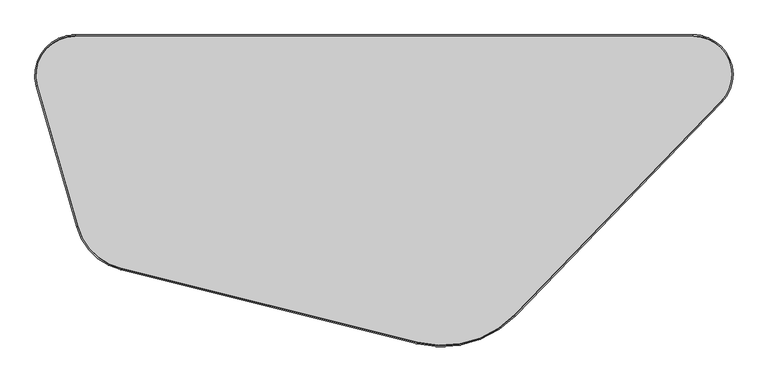
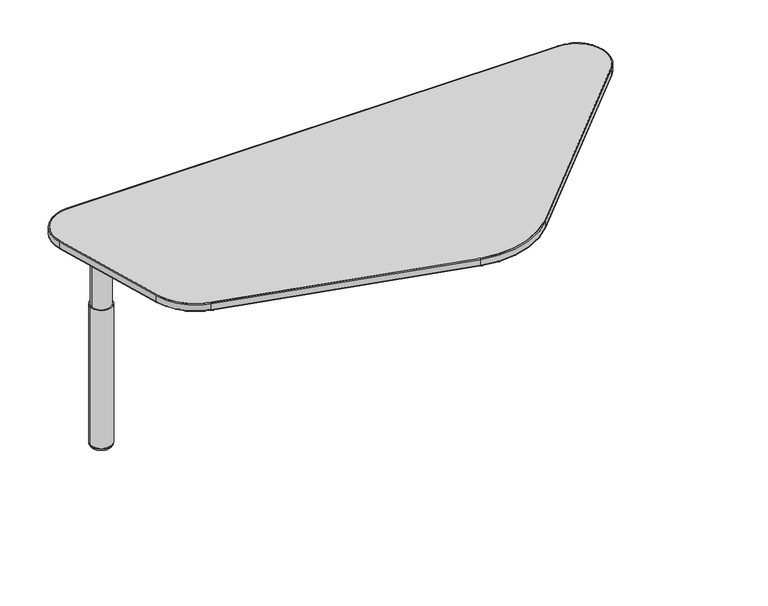
"""IFC4 building model written with IfcOpenShell, lengths in millimetres: furniture geometry."""

from ifc_helpers import new_model, si_unit, point, frame, frame_2d, origin, place, context, project, spatial, polyline, circle_curve, ellipse_curve, trimmed, segment, composite_curve, outline, extrude, source, transform, mapped, element, save
from ifc_brep_helpers import plane_surface, cylinder_surface, revolved_surface, advanced_brep


def furniture_c9b4de75(model_context):
    return source(origin(), model_context, "Body", "SolidModel", [
        advanced_brep(
        [(151.892485, -160.0920056, 672.2060139), (123.7369482, -160.0920056, 672.2060139), (95.5814114, -160.0920056, 672.2060139), (151.892485, -160.0920056, 647.7686974), (95.5814114, -160.0920056, 647.7686974), (154.9928771, -160.0920056, 647.7686974), (92.4810193, -160.0920056, 647.7686974), (154.9928771, -160.0920056, 485.9002831), (92.4810193, -160.0920056, 485.9002831), (159.0300459, -160.0920056, 485.9002831), (88.4438505, -160.0920056, 485.9002831), (159.0300459, -160.0920056, 10.2163535), (88.4438505, -160.0920056, 10.2163535), (157.7621151, -160.0920056, 9.4693355), (89.7117813, -160.0920056, 9.4693355), (158.607376, -160.0920056, 8.8323857), (88.8665204, -160.0920056, 8.8323857), (150.4469167, -160.0920056, 0.0), (97.0269797, -160.0920056, 0.0), (123.7369482, -160.0920056, 0.0)],
        [
            (0, 1),
            (1, 2),
            (2, 0, circle_curve(frame((123.7369482, -160.0920056, 672.2060139), z_axis=(0.0, 0.0, 1.0), x_axis=(-1.0, 0.0, 0.0)), 28.1555368)),
            (0, 2, circle_curve(frame((123.7369482, -160.0920056, 672.2060139), z_axis=(0.0, 0.0, 1.0), x_axis=(-1.0, 0.0, 0.0)), 28.1555368)),
            (3, 0),
            (2, 4),
            (4, 3, circle_curve(frame((123.7369482, -160.0920056, 647.7686974), z_axis=(0.0, 0.0, 1.0), x_axis=(-1.0, 0.0, 0.0)), 28.1555368)),
            (3, 4, circle_curve(frame((123.7369482, -160.0920056, 647.7686974), z_axis=(0.0, 0.0, 1.0), x_axis=(-1.0, 0.0, 0.0)), 28.1555368)),
            (5, 3),
            (4, 6),
            (6, 5, circle_curve(frame((123.7369482, -160.0920056, 647.7686974), z_axis=(0.0, 0.0, 1.0), x_axis=(-1.0, 0.0, 0.0)), 31.2559289)),
            (5, 6, circle_curve(frame((123.7369482, -160.0920056, 647.7686974), z_axis=(0.0, 0.0, 1.0), x_axis=(-1.0, 0.0, 0.0)), 31.2559289)),
            (7, 5),
            (6, 8),
            (8, 7, circle_curve(frame((123.7369482, -160.0920056, 485.9002831), z_axis=(0.0, 0.0, 1.0), x_axis=(-1.0, 0.0, 0.0)), 31.2559289)),
            (7, 8, circle_curve(frame((123.7369482, -160.0920056, 485.9002831), z_axis=(0.0, 0.0, 1.0), x_axis=(-1.0, 0.0, 0.0)), 31.2559289)),
            (9, 7),
            (8, 10),
            (10, 9, circle_curve(frame((123.7369482, -160.0920056, 485.9002831), z_axis=(0.0, 0.0, 1.0), x_axis=(-1.0, 0.0, 0.0)), 35.2930977)),
            (9, 10, circle_curve(frame((123.7369482, -160.0920056, 485.9002831), z_axis=(0.0, 0.0, 1.0), x_axis=(-1.0, 0.0, 0.0)), 35.2930977)),
            (11, 9),
            (10, 12),
            (12, 11, circle_curve(frame((123.7369482, -160.0920056, 10.2163535), z_axis=(0.0, 0.0, 1.0), x_axis=(-1.0, 0.0, 0.0)), 35.2930977)),
            (11, 12, circle_curve(frame((123.7369482, -160.0920056, 10.2163535), z_axis=(0.0, 0.0, 1.0), x_axis=(-1.0, 0.0, 0.0)), 35.2930977)),
            (13, 11, circle_curve(frame((157.5737586, -160.0920056, 11.2385904), z_axis=(0.0, -1.0, 0.0), x_axis=(-1.0, 0.0, 0.0)), 1.7792529)),
            (12, 14, circle_curve(frame((89.9001378, -160.0920056, 11.2385904), z_axis=(0.0, -1.0, 0.0), x_axis=(1.0, 0.0, 0.0)), 1.7792529)),
            (14, 13, circle_curve(frame((123.7369482, -160.0920056, 9.4693355), z_axis=(0.0, 0.0, 1.0), x_axis=(-1.0, 0.0, 0.0)), 34.0251669)),
            (13, 14, circle_curve(frame((123.7369482, -160.0920056, 9.4693355), z_axis=(0.0, 0.0, 1.0), x_axis=(-1.0, 0.0, 0.0)), 34.0251669)),
            (15, 13, circle_curve(frame((157.0664072, -160.0920056, 7.6667755), z_axis=(0.0, -1.0, 0.0), x_axis=(-1.0, 0.0, 0.0)), 1.9321573)),
            (14, 16, circle_curve(frame((90.4074892, -160.0920056, 7.6667755), z_axis=(0.0, -1.0, 0.0), x_axis=(1.0, 0.0, 0.0)), 1.9321573)),
            (16, 15, circle_curve(frame((123.7369482, -160.0920056, 8.8323857), z_axis=(0.0, 0.0, 1.0), x_axis=(-1.0, 0.0, 0.0)), 34.8704278)),
            (15, 16, circle_curve(frame((123.7369482, -160.0920056, 8.8323857), z_axis=(0.0, 0.0, 1.0), x_axis=(-1.0, 0.0, 0.0)), 34.8704278)),
            (17, 15, circle_curve(frame((150.4469167, -160.0920056, 8.1860178), z_axis=(0.0, -1.0, 0.0), x_axis=(-1.0, 0.0, 0.0)), 8.1860178)),
            (16, 18, circle_curve(frame((97.0269797, -160.0920056, 8.1860178), z_axis=(0.0, -1.0, 0.0), x_axis=(1.0, 0.0, 0.0)), 8.1860178)),
            (18, 17, circle_curve(frame((123.7369482, -160.0920056, 0.0), z_axis=(0.0, 0.0, 1.0), x_axis=(-1.0, 0.0, 0.0)), 26.7099685)),
            (17, 18, circle_curve(frame((123.7369482, -160.0920056, 0.0), z_axis=(0.0, 0.0, 1.0), x_axis=(-1.0, 0.0, 0.0)), 26.7099685)),
            (19, 17),
            (18, 19),
        ],
        [
            plane_surface(frame((123.7369482, -160.0920056, 672.2060139), z_axis=(0.0, 0.0, 1.0), x_axis=(-1.0, 0.0, 0.0))),
            cylinder_surface(frame((123.7369482, -160.0920056, -31.75), z_axis=(0.0, 0.0, -1.0), x_axis=(-1.0, 0.0, 0.0)), 28.1555368),
            plane_surface(frame((123.7369482, -160.0920056, 647.7686974), z_axis=(0.0, 0.0, 1.0), x_axis=(-1.0, 0.0, 0.0))),
            cylinder_surface(frame((123.7369482, -160.0920056, -31.75), z_axis=(0.0, 0.0, -1.0), x_axis=(-1.0, 0.0, 0.0)), 31.2559289),
            plane_surface(frame((123.7369482, -160.0920056, 485.9002831), z_axis=(0.0, 0.0, 1.0), x_axis=(-1.0, 0.0, 0.0))),
            cylinder_surface(frame((123.7369482, -160.0920056, -31.75), z_axis=(0.0, 0.0, -1.0), x_axis=(-1.0, 0.0, 0.0)), 35.2930977),
            revolved_surface(trimmed(ellipse_curve(frame((89.9001378, -160.0920056, 11.2385904), z_axis=(0.0, -1.0, 0.0), x_axis=(1.0, 0.0, 0.0)), 1.7792529, 1.7792529), [point((88.4438505, -160.0920056, 10.2163535))], [point((89.7117813, -160.0920056, 9.4693355))], True, "CARTESIAN"), (123.7369482, -160.0920056, -31.75), (0.0, 0.0, -1.0)),
            revolved_surface(trimmed(ellipse_curve(frame((90.4074892, -160.0920056, 7.6667755), z_axis=(0.0, -1.0, 0.0), x_axis=(1.0, 0.0, 0.0)), 1.9321573, 1.9321573), [point((89.7117813, -160.0920056, 9.4693355))], [point((88.8665204, -160.0920056, 8.8323857))], True, "CARTESIAN"), (123.7369482, -160.0920056, -31.75), (0.0, 0.0, -1.0)),
            revolved_surface(trimmed(ellipse_curve(frame((97.0269797, -160.0920056, 8.1860178), z_axis=(0.0, -1.0, 0.0), x_axis=(1.0, 0.0, 0.0)), 8.1860178, 8.1860178), [point((88.8665204, -160.0920056, 8.8323857))], [point((97.0269797, -160.0920056, 0.0))], True, "CARTESIAN"), (123.7369482, -160.0920056, -31.75), (0.0, 0.0, -1.0)),
            plane_surface(frame((123.7369482, -160.0920056, 0.0), z_axis=(0.0, 0.0, -1.0), x_axis=(-1.0, 0.0, 0.0))),
        ],
        [
            (0, [[1, 2, 3]]),
            (0, [[-2, -1, 4]]),
            (1, [[5, -3, 6, 7]]),
            (1, [[-6, -4, -5, 8]]),
            (2, [[9, -7, 10, 11]]),
            (2, [[-10, -8, -9, 12]]),
            (3, [[13, -11, 14, 15]]),
            (3, [[-14, -12, -13, 16]]),
            (4, [[17, -15, 18, 19]]),
            (4, [[-18, -16, -17, 20]]),
            (5, [[21, -19, 22, 23]]),
            (5, [[-22, -20, -21, 24]]),
            (6, [[25, -23, 26, 27]]),
            (6, [[-26, -24, -25, 28]]),
            (7, [[29, -27, 30, 31]]),
            (7, [[-30, -28, -29, 32]]),
            (8, [[33, -31, 34, 35]]),
            (8, [[-34, -32, -33, 36]]),
            (9, [[37, -35, 38]]),
            (9, [[-38, -36, -37]]),
        ],
    ),
        advanced_brep(
        [(1777.2858768, -171.7138583, 698.6714043), (1777.2858768, -171.7138583, 723.9), (1706.0580257, -3.81, 723.9), (1706.0580257, -3.81, 698.6714043), (1780.0254096, -174.361699, 701.2114043), (1778.1990544, -172.5964719, 698.6714043), (1706.0580257, -2.54, 698.6714043), (1706.0580257, 0.0, 701.2114043), (1780.0254096, -174.361699, 721.36), (1706.0580257, 0.0, 721.36), (1778.1990544, -172.5964719, 723.9), (1706.0580257, -2.54, 723.9), (1242.620881, -724.8937589, 698.6714043), (1242.620881, -724.8937589, 723.9), (1245.3604138, -727.5415996, 701.2114043), (1243.5340586, -725.7763725, 698.6714043), (1245.3604138, -727.5415996, 721.36), (1243.5340586, -725.7763725, 723.9), (992.3252449, -796.5470514, 698.6714043), (992.3252449, -796.5470514, 723.9), (991.4019147, -800.2434769, 701.2114043), (992.0174681, -797.7791932, 698.6714043), (991.4019147, -800.2434769, 721.36), (992.0174681, -797.7791932, 723.9), (224.4975267, -604.7513419, 698.6714043), (224.4975267, -604.7513419, 723.9), (223.5741965, -608.4477673, 701.2114043), (224.18975, -605.9834837, 698.6714043), (223.5741965, -608.4477673, 721.36), (224.18975, -605.9834837, 723.9), (112.1766645, -496.1898977, 698.6714043), (112.1766645, -496.1898977, 723.9), (108.5138011, -497.2384831, 701.2114043), (110.95571, -496.5394262, 698.6714043), (108.5138011, -497.2384831, 721.36), (110.95571, -496.5394262, 723.9), (7.8475055, -131.7527482, 698.6714043), (7.8475055, -131.7527482, 723.9), (4.184642, -132.8013335, 701.2114043), (6.626551, -132.1022766, 698.6714043), (4.184642, -132.8013335, 721.36), (6.626551, -132.1022766, 723.9), (104.3029099, -3.81, 698.6714043), (104.3029099, -3.81, 723.9), (104.3029099, 0.0, 701.2114043), (104.3029099, -2.54, 698.6714043), (104.3029099, 0.0, 721.36), (104.3029099, -2.54, 723.9)],
        [
            (0, 1),
            (1, 2, circle_curve(frame((1706.0580257, -102.87, 723.9), z_axis=(0.0, 0.0, 1.0), x_axis=(0.0, 1.0, 0.0)), 99.06)),
            (2, 3),
            (3, 0, circle_curve(frame((1706.0580257, -102.87, 698.6714043), z_axis=(0.0, 0.0, -1.0), x_axis=(0.0, 1.0, 0.0)), 99.06)),
            (4, 5, circle_curve(frame((1778.1990544, -172.5964719, 701.2114043), z_axis=(0.6949713135982718, 0.7190374630542505, 0.0), x_axis=(-0.7190374630542505, 0.6949713135982718, 0.0)), 2.54)),
            (5, 6, circle_curve(frame((1706.0580257, -102.87, 698.6714043), z_axis=(0.0, 0.0, 1.0), x_axis=(0.0, 1.0, 0.0)), 100.33)),
            (6, 7, circle_curve(frame((1706.0580257, -2.54, 701.2114043), z_axis=(1.0, 0.0, 0.0), x_axis=(0.0, -1.0, 0.0)), 2.54)),
            (7, 4, circle_curve(frame((1706.0580257, -102.87, 701.2114043), z_axis=(0.0, 0.0, -1.0), x_axis=(0.0, 1.0, 0.0)), 102.87)),
            (8, 4),
            (7, 9),
            (9, 8, circle_curve(frame((1706.0580257, -102.87, 721.36), z_axis=(0.0, 0.0, -1.0), x_axis=(0.0, 1.0, 0.0)), 102.87)),
            (10, 8, circle_curve(frame((1778.1990544, -172.5964719, 721.36), z_axis=(0.6949713135982727, 0.7190374630542495, 0.0), x_axis=(-0.7190374630542495, 0.6949713135982727, 0.0)), 2.54)),
            (9, 11, circle_curve(frame((1706.0580257, -2.54, 721.36), z_axis=(1.0, 0.0, 0.0), x_axis=(0.0, -1.0, 0.0)), 2.54)),
            (11, 10, circle_curve(frame((1706.0580257, -102.87, 723.9), z_axis=(0.0, 0.0, -1.0), x_axis=(0.0, 1.0, 0.0)), 100.33)),
            (0, 12),
            (12, 13),
            (13, 1),
            (4, 14),
            (14, 15, circle_curve(frame((1243.5340586, -725.7763725, 701.2114043), z_axis=(0.6949713135982748, 0.7190374630542476, 0.0), x_axis=(-0.7190374630542475, 0.6949713135982747, 0.0)), 2.54)),
            (15, 5),
            (8, 16),
            (16, 14),
            (10, 17),
            (17, 16, circle_curve(frame((1243.5340586, -725.7763725, 721.36), z_axis=(0.6949713135982748, 0.7190374630542476, 0.0), x_axis=(-0.7190374630542475, 0.6949713135982747, 0.0)), 2.54)),
            (18, 19),
            (19, 13, circle_curve(frame((1055.4194775, -543.9579774, 723.9), z_axis=(0.0, 0.0, 1.0), x_axis=(0.7190374630542474, -0.6949713135982749, 0.0)), 260.35)),
            (12, 18, circle_curve(frame((1055.4194775, -543.9579774, 698.6714043), z_axis=(0.0, 0.0, -1.0), x_axis=(0.7190374630542474, -0.6949713135982749, 0.0)), 260.35)),
            (20, 21, circle_curve(frame((992.0174681, -797.7791932, 701.2114043), z_axis=(0.9701904129296972, -0.2423438933814996, 0.0), x_axis=(0.2423438933814996, 0.9701904129296972, 0.0)), 2.54)),
            (21, 15, circle_curve(frame((1055.4194775, -543.9579774, 698.6714043), z_axis=(0.0, 0.0, 1.0), x_axis=(0.7190374630542474, -0.6949713135982749, 0.0)), 261.62)),
            (14, 20, circle_curve(frame((1055.4194775, -543.9579774, 701.2114043), z_axis=(0.0, 0.0, -1.0), x_axis=(0.7190374630542474, -0.6949713135982749, 0.0)), 264.16)),
            (22, 20),
            (16, 22, circle_curve(frame((1055.4194775, -543.9579774, 721.36), z_axis=(0.0, 0.0, -1.0), x_axis=(0.7190374630542474, -0.6949713135982749, 0.0)), 264.16)),
            (23, 22, circle_curve(frame((992.0174681, -797.7791932, 721.36), z_axis=(0.970190412929697, -0.2423438933815002, 0.0), x_axis=(0.2423438933815002, 0.970190412929697, 0.0)), 2.54)),
            (17, 23, circle_curve(frame((1055.4194775, -543.9579774, 723.9), z_axis=(0.0, 0.0, -1.0), x_axis=(0.7190374630542474, -0.6949713135982749, 0.0)), 261.62)),
            (18, 24),
            (24, 25),
            (25, 19),
            (20, 26),
            (26, 27, circle_curve(frame((224.18975, -605.9834837, 701.2114043), z_axis=(0.9701904129296971, -0.24234389338150003, 0.0), x_axis=(0.24234389338150003, 0.9701904129296971, 0.0)), 2.54)),
            (27, 21),
            (22, 28),
            (28, 26),
            (23, 29),
            (29, 28, circle_curve(frame((224.18975, -605.9834837, 721.36), z_axis=(0.9701904129296971, -0.24234389338150003, 0.0), x_axis=(0.24234389338150003, 0.9701904129296971, 0.0)), 2.54)),
            (30, 31),
            (31, 25, circle_curve(frame((262.3540663, -453.1978975, 723.9), z_axis=(0.0, 0.0, 1.0), x_axis=(-0.24234389338150045, -0.970190412929697, 0.0)), 156.21)),
            (24, 30, circle_curve(frame((262.3540663, -453.1978975, 698.6714043), z_axis=(0.0, 0.0, -1.0), x_axis=(-0.24234389338150045, -0.970190412929697, 0.0)), 156.21)),
            (32, 33, circle_curve(frame((110.95571, -496.5394262, 701.2114043), z_axis=(0.2752192579800726, -0.9613814851747968, 0.0), x_axis=(0.9613814851747968, 0.2752192579800726, 0.0)), 2.54)),
            (33, 27, circle_curve(frame((262.3540663, -453.1978975, 698.6714043), z_axis=(0.0, 0.0, 1.0), x_axis=(-0.24234389338150045, -0.970190412929697, 0.0)), 157.48)),
            (26, 32, circle_curve(frame((262.3540663, -453.1978975, 701.2114043), z_axis=(0.0, 0.0, -1.0), x_axis=(-0.24234389338150045, -0.970190412929697, 0.0)), 160.02)),
            (34, 32),
            (28, 34, circle_curve(frame((262.3540663, -453.1978975, 721.36), z_axis=(0.0, 0.0, -1.0), x_axis=(-0.24234389338150045, -0.970190412929697, 0.0)), 160.02)),
            (35, 34, circle_curve(frame((110.95571, -496.5394262, 721.36), z_axis=(0.27521925798007274, -0.9613814851747968, 0.0), x_axis=(0.9613814851747968, 0.27521925798007274, 0.0)), 2.54)),
            (29, 35, circle_curve(frame((262.3540663, -453.1978975, 723.9), z_axis=(0.0, 0.0, -1.0), x_axis=(-0.24234389338150045, -0.970190412929697, 0.0)), 157.48)),
            (30, 36),
            (36, 37),
            (37, 31),
            (32, 38),
            (38, 39, circle_curve(frame((6.626551, -132.1022766, 701.2114043), z_axis=(0.2752192579800734, -0.9613814851747967, 0.0), x_axis=(0.9613814851747967, 0.2752192579800734, 0.0)), 2.54)),
            (39, 33),
            (34, 40),
            (40, 38),
            (35, 41),
            (41, 40, circle_curve(frame((6.626551, -132.1022766, 721.36), z_axis=(0.2752192579800734, -0.9613814851747967, 0.0), x_axis=(0.9613814851747967, 0.2752192579800734, 0.0)), 2.54)),
            (42, 43),
            (43, 37, circle_curve(frame((104.3029099, -104.14, 723.9), z_axis=(0.0, 0.0, 1.0), x_axis=(-0.9613814851747966, -0.27521925798007385, 0.0)), 100.33)),
            (36, 42, circle_curve(frame((104.3029099, -104.14, 698.6714043), z_axis=(0.0, 0.0, -1.0), x_axis=(-0.9613814851747966, -0.27521925798007385, 0.0)), 100.33)),
            (44, 45, circle_curve(frame((104.3029099, -2.54, 701.2114043), z_axis=(-1.0, 0.0, 0.0), x_axis=(0.0, -1.0, 0.0)), 2.54)),
            (45, 39, circle_curve(frame((104.3029099, -104.14, 698.6714043), z_axis=(0.0, 0.0, 1.0), x_axis=(-0.9613814851747966, -0.27521925798007385, 0.0)), 101.6)),
            (38, 44, circle_curve(frame((104.3029099, -104.14, 701.2114043), z_axis=(0.0, 0.0, -1.0), x_axis=(-0.9613814851747966, -0.27521925798007385, 0.0)), 104.14)),
            (46, 44),
            (40, 46, circle_curve(frame((104.3029099, -104.14, 721.36), z_axis=(0.0, 0.0, -1.0), x_axis=(-0.9613814851747966, -0.27521925798007385, 0.0)), 104.14)),
            (47, 46, circle_curve(frame((104.3029099, -2.54, 721.36), z_axis=(-1.0, 0.0, 0.0), x_axis=(0.0, -1.0, 0.0)), 2.54)),
            (41, 47, circle_curve(frame((104.3029099, -104.14, 723.9), z_axis=(0.0, 0.0, -1.0), x_axis=(-0.9613814851747966, -0.27521925798007385, 0.0)), 101.6)),
            (42, 3),
            (2, 43),
            (45, 6),
            (44, 7),
            (46, 9),
            (47, 11),
        ],
        [
            revolved_surface(polyline([(1706.0580257, -3.8100000000000023, 723.9), (1706.0580257, -3.8100000000000023, 698.6714043)]), (1706.0580257, -102.87, 0.0), (0.0, 0.0, 1.0)),
            revolved_surface(trimmed(ellipse_curve(frame((1706.0580257, -2.54, 701.2114043), z_axis=(1.0, 0.0, 0.0), x_axis=(0.0, -1.0, 0.0)), 2.54, 2.54), [point((1706.0580257, -2.54, 698.6714043))], [point((1706.0580257, 0.0, 701.2114043))], True, "CARTESIAN"), (1706.0580257, -102.87, 0.0), (0.0, 0.0, 1.0)),
            cylinder_surface(frame((1706.0580257, -102.87, 0.0), z_axis=(0.0, 0.0, 1.0), x_axis=(0.0, 1.0, 0.0)), 102.87),
            revolved_surface(trimmed(ellipse_curve(frame((1706.0580257, -2.54, 721.36), z_axis=(1.0, 0.0, 0.0), x_axis=(0.0, -1.0, 0.0)), 2.54, 2.54), [point((1706.0580257, 0.0, 721.36))], [point((1706.0580257, -2.54, 723.9))], True, "CARTESIAN"), (1706.0580257, -102.87, 0.0), (0.0, 0.0, 1.0)),
            plane_surface(frame((1777.2858768, -171.7138583, 723.9), z_axis=(-0.7190374630542478, 0.6949713135982747, 0.0), x_axis=(-0.6949713135982747, -0.7190374630542478, 0.0))),
            cylinder_surface(frame((1778.1990544, -172.5964719, 701.2114043), z_axis=(0.6949713135982747, 0.7190374630542475, 0.0), x_axis=(-0.7190374630542475, 0.6949713135982747, 0.0)), 2.54),
            plane_surface(frame((1780.0254096, -174.361699, 701.2114043), z_axis=(0.7190374630542475, -0.6949713135982749, 0.0), x_axis=(-0.6949713135982749, -0.7190374630542475, 0.0))),
            cylinder_surface(frame((1778.1990544, -172.5964719, 721.36), z_axis=(0.6949713135982747, 0.7190374630542475, 0.0), x_axis=(-0.7190374630542475, 0.6949713135982747, 0.0)), 2.54),
            revolved_surface(polyline([(1242.6208810061735, -724.8937588953108, 723.9), (1242.6208810061735, -724.8937588953108, 698.6714043)]), (1055.4194775, -543.9579774, 0.0), (0.0, 0.0, 1.0)),
            revolved_surface(trimmed(ellipse_curve(frame((1243.5340586, -725.7763725, 701.2114043), z_axis=(-0.6949713135982749, -0.7190374630542474, 0.0), x_axis=(-0.7190374630542474, 0.6949713135982749, 0.0)), 2.54, 2.54), [point((1243.5340586, -725.7763725, 698.6714043))], [point((1245.3604138, -727.5415996, 701.2114043))], True, "CARTESIAN"), (1055.4194775, -543.9579774, 0.0), (0.0, 0.0, 1.0)),
            cylinder_surface(frame((1055.4194775, -543.9579774, 0.0), z_axis=(0.0, 0.0, 1.0), x_axis=(0.7190374630542474, -0.6949713135982749, 0.0)), 264.16),
            revolved_surface(trimmed(ellipse_curve(frame((1243.5340586, -725.7763725, 721.36), z_axis=(-0.6949713135982749, -0.7190374630542474, 0.0), x_axis=(-0.7190374630542474, 0.6949713135982749, 0.0)), 2.54, 2.54), [point((1245.3604138, -727.5415996, 721.36))], [point((1243.5340586, -725.7763725, 723.9))], True, "CARTESIAN"), (1055.4194775, -543.9579774, 0.0), (0.0, 0.0, 1.0)),
            plane_surface(frame((992.3252449, -796.5470514, 723.9), z_axis=(0.24234389338149986, 0.9701904129296972, 0.0), x_axis=(-0.9701904129296972, 0.24234389338149986, 0.0))),
            cylinder_surface(frame((992.0174681, -797.7791932, 701.2114043), z_axis=(0.9701904129296971, -0.24234389338150003, 0.0), x_axis=(0.24234389338150003, 0.9701904129296971, 0.0)), 2.54),
            plane_surface(frame((991.4019147, -800.2434769, 701.2114043), z_axis=(-0.24234389338149973, -0.9701904129296972, 0.0), x_axis=(-0.9701904129296972, 0.24234389338149973, 0.0))),
            cylinder_surface(frame((992.0174681, -797.7791932, 721.36), z_axis=(0.9701904129296971, -0.24234389338150003, 0.0), x_axis=(0.24234389338150003, 0.9701904129296971, 0.0)), 2.54),
            revolved_surface(polyline([(224.49752671487582, -604.751341903748, 723.9), (224.49752671487582, -604.751341903748, 698.6714043)]), (262.3540663, -453.1978975, 0.0), (0.0, 0.0, 1.0)),
            revolved_surface(trimmed(ellipse_curve(frame((224.18975, -605.9834837, 701.2114043), z_axis=(-0.9701904129296969, 0.24234389338150075, 0.0), x_axis=(0.24234389338150075, 0.9701904129296969, 0.0)), 2.54, 2.54), [point((224.18975, -605.9834837, 698.6714043))], [point((223.5741965, -608.4477673, 701.2114043))], True, "CARTESIAN"), (262.3540663, -453.1978975, 0.0), (0.0, 0.0, 1.0)),
            cylinder_surface(frame((262.3540663, -453.1978975, 0.0), z_axis=(0.0, 0.0, 1.0), x_axis=(-0.24234389338150045, -0.970190412929697, 0.0)), 160.02),
            revolved_surface(trimmed(ellipse_curve(frame((224.18975, -605.9834837, 721.36), z_axis=(-0.9701904129296969, 0.24234389338150075, 0.0), x_axis=(0.24234389338150075, 0.9701904129296969, 0.0)), 2.54, 2.54), [point((223.5741965, -608.4477673, 721.36))], [point((224.18975, -605.9834837, 723.9))], True, "CARTESIAN"), (262.3540663, -453.1978975, 0.0), (0.0, 0.0, 1.0)),
            plane_surface(frame((112.1766645, -496.1898977, 723.9), z_axis=(0.9613814851747966, 0.27521925798007374, 0.0), x_axis=(-0.27521925798007374, 0.9613814851747966, 0.0))),
            cylinder_surface(frame((110.95571, -496.5394262, 701.2114043), z_axis=(0.2752192579800734, -0.9613814851747967, 0.0), x_axis=(0.9613814851747967, 0.2752192579800734, 0.0)), 2.54),
            plane_surface(frame((108.5138011, -497.2384831, 701.2114043), z_axis=(-0.9613814851747966, -0.2752192579800737, 0.0), x_axis=(-0.2752192579800737, 0.9613814851747966, 0.0))),
            cylinder_surface(frame((110.95571, -496.5394262, 721.36), z_axis=(0.2752192579800734, -0.9613814851747967, 0.0), x_axis=(0.9613814851747967, 0.2752192579800734, 0.0)), 2.54),
            revolved_surface(polyline([(7.847505492412665, -131.7527481531408, 723.9), (7.847505492412665, -131.7527481531408, 698.6714043)]), (104.3029099, -104.14, 0.0), (0.0, 0.0, 1.0)),
            revolved_surface(trimmed(ellipse_curve(frame((6.626551, -132.1022766, 701.2114043), z_axis=(-0.2752192579800737, 0.9613814851747966, 0.0), x_axis=(0.9613814851747966, 0.2752192579800737, 0.0)), 2.54, 2.54), [point((6.626551, -132.1022766, 698.6714043))], [point((4.184642, -132.8013335, 701.2114043))], True, "CARTESIAN"), (104.3029099, -104.14, 0.0), (0.0, 0.0, 1.0)),
            cylinder_surface(frame((104.3029099, -104.14, 0.0), z_axis=(0.0, 0.0, 1.0), x_axis=(-0.9613814851747966, -0.27521925798007385, 0.0)), 104.14),
            revolved_surface(trimmed(ellipse_curve(frame((6.626551, -132.1022766, 721.36), z_axis=(-0.2752192579800737, 0.9613814851747966, 0.0), x_axis=(0.9613814851747966, 0.2752192579800737, 0.0)), 2.54, 2.54), [point((4.184642, -132.8013335, 721.36))], [point((6.626551, -132.1022766, 723.9))], True, "CARTESIAN"), (104.3029099, -104.14, 0.0), (0.0, 0.0, 1.0)),
            plane_surface(frame((104.3029099, -3.81, 723.9), z_axis=(0.0, -1.0, 0.0), x_axis=(1.0, 0.0, 0.0))),
            plane_surface(frame((104.3029099, -3.81, 698.6714043), z_axis=(0.0, 0.0, -1.0), x_axis=(1.0, 0.0, 0.0))),
            cylinder_surface(frame((104.3029099, -2.54, 701.2114043), z_axis=(-1.0, 0.0, 0.0), x_axis=(0.0, -1.0, 0.0)), 2.54),
            plane_surface(frame((104.3029099, 0.0, 701.2114043), z_axis=(0.0, 1.0, 0.0), x_axis=(1.0, 0.0, 0.0))),
            cylinder_surface(frame((104.3029099, -2.54, 721.36), z_axis=(-1.0, 0.0, 0.0), x_axis=(0.0, -1.0, 0.0)), 2.54),
            plane_surface(frame((104.3029099, -2.54, 723.9), z_axis=(0.0, 0.0, 1.0), x_axis=(1.0, 0.0, 0.0))),
        ],
        [
            (0, [[1, 2, 3, 4]]),
            (1, [[5, 6, 7, 8]]),
            (2, [[9, -8, 10, 11]]),
            (3, [[12, -11, 13, 14]]),
            (4, [[15, 16, 17, -1]]),
            (5, [[18, 19, 20, -5]]),
            (6, [[21, 22, -18, -9]]),
            (7, [[23, 24, -21, -12]]),
            (8, [[25, 26, -16, 27]]),
            (9, [[28, 29, -19, 30]]),
            (10, [[31, -30, -22, 32]]),
            (11, [[33, -32, -24, 34]]),
            (12, [[35, 36, 37, -25]]),
            (13, [[38, 39, 40, -28]]),
            (14, [[41, 42, -38, -31]]),
            (15, [[43, 44, -41, -33]]),
            (16, [[45, 46, -36, 47]]),
            (17, [[48, 49, -39, 50]]),
            (18, [[51, -50, -42, 52]]),
            (19, [[53, -52, -44, 54]]),
            (20, [[55, 56, 57, -45]]),
            (21, [[58, 59, 60, -48]]),
            (22, [[61, 62, -58, -51]]),
            (23, [[63, 64, -61, -53]]),
            (24, [[65, 66, -56, 67]]),
            (25, [[68, 69, -59, 70]]),
            (26, [[71, -70, -62, 72]]),
            (27, [[73, -72, -64, 74]]),
            (28, [[75, -3, 76, -65]]),
            (29, [[-6, -20, -29, -40, -49, -60, -69, 77], [-47, -35, -27, -15, -4, -75, -67, -55]]),
            (30, [[78, -7, -77, -68]]),
            (31, [[79, -10, -78, -71]]),
            (32, [[80, -13, -79, -73]]),
            (33, [[-54, -43, -34, -23, -14, -80, -74, -63], [-2, -17, -26, -37, -46, -57, -66, -76]]),
        ],
    ),
        extrude(outline(composite_curve([segment(trimmed(circle_curve(frame_2d((262.3540663, -453.1978975)), 156.21), [point((224.4975267, -604.7513419))], [point((112.1766645, -496.1898977))], False, "CARTESIAN"), True, "CONTINUOUS"), segment(polyline([(112.1766645, -496.1898977), (7.8475055, -131.7527482)]), True, "CONTINUOUS"), segment(trimmed(circle_curve(frame_2d((104.3029099, -104.14)), 100.33), [point((7.8475055, -131.7527482))], [point((104.3029099, -3.81))], False, "CARTESIAN"), True, "CONTINUOUS"), segment(polyline([(104.3029099, -3.81), (1706.0580257, -3.81)]), True, "CONTINUOUS"), segment(trimmed(circle_curve(frame_2d((1706.0580257, -102.87)), 99.06), [point((1706.0580257, -3.81))], [point((1777.2858768, -171.7138583))], False, "CARTESIAN"), True, "CONTINUOUS"), segment(polyline([(1777.2858768, -171.7138583), (1242.620881, -724.8937589)]), True, "CONTINUOUS"), segment(trimmed(circle_curve(frame_2d((1055.4194775, -543.9579774)), 260.35), [point((1242.620881, -724.8937589))], [point((992.3252449, -796.5470514))], False, "CARTESIAN"), True, "CONTINUOUS"), segment(polyline([(992.3252449, -796.5470514), (224.4975267, -604.7513419)]), True, "CONTINUOUS")], self_intersect=False)), frame((0.0, 0.0, 698.6714043), z_axis=(0.0, 0.0, 1.0), x_axis=(1.0, 0.0, 0.0)), (0.0, 0.0, 1.0), 25.2285957),
    ])


if __name__ == "__main__":
    model = new_model("IFC4")
    model_context = context("Model", 3, world=origin())
    ifc_project = project(units=[si_unit("LENGTHUNIT", "METRE", prefix="MILLI")], contexts=[model_context])
    site = spatial("IfcSite", under=ifc_project)
    building = spatial("IfcBuilding", under=site)
    placement = place(None, origin())
    furniture_shape = furniture_c9b4de75(model_context)
    element("IfcFurniture", 1, at=placement, inside=building, context=model_context, shape_type="MappedRepresentation", body=[
        mapped(furniture_shape, transform((0.0, 0.0, 0.0), x_axis=(1.0, 0.0, 0.0), y_axis=(0.0, 1.0, 0.0), z_axis=(0.0, 0.0, 1.0))),
    ])
    save(model, "model.ifc")
